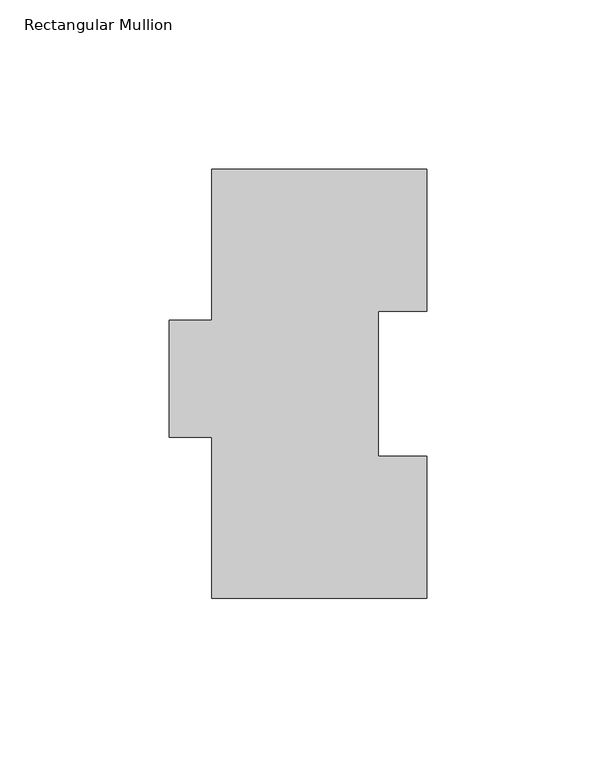
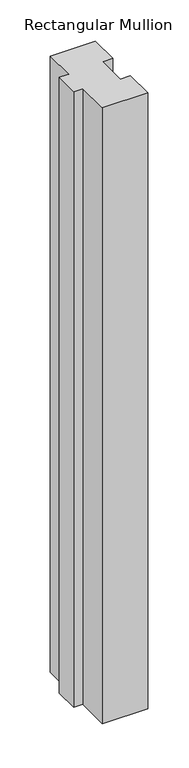
"""IFC4 building model written with IfcOpenShell, lengths in millimetres: member geometry, Rectangular Mullion."""

from ifc_helpers import new_model, si_unit, frame, origin, place, context, project, spatial, polyline, outline, extrude, source, transform, mapped, element, save


def rectangular_mullion_21588ddd(model_context):
    return source(origin(), model_context, "Body", "SweptSolid", [
        extrude(outline(polyline([(-31.75, 127.00635), (31.7502713, 127.00635), (31.7502713, 84.93125), (17.4622287, 84.93125), (17.4622287, 42.08145), (31.7497287, 42.08145), (31.7497287, 0.00635), (-31.75, 0.00635), (-31.75, 47.63135), (-44.4497287, 47.63135), (-44.4497287, 82.30235), (-31.75, 82.30235), (-31.75, 127.00635)])), frame((0.0, 0.0, -914.4), z_axis=(0.0, 0.0, 1.0), x_axis=(1.0, 0.0, 0.0)), (0.0, 0.0, 1.0), 914.4),
    ])


if __name__ == "__main__":
    model = new_model("IFC4")
    model_context = context("Model", 3, world=origin())
    ifc_project = project(units=[si_unit("LENGTHUNIT", "METRE", prefix="MILLI")], contexts=[model_context])
    site = spatial("IfcSite", under=ifc_project)
    building = spatial("IfcBuilding", under=site)
    placement = place(None, origin())
    rectangular_mullion_shape = rectangular_mullion_21588ddd(model_context)
    element("IfcMember", 1, ObjectType="Rectangular Mullion", at=placement, inside=building, context=model_context, shape_type="MappedRepresentation", body=[
        mapped(rectangular_mullion_shape, transform((0.0, 0.0, 0.0), x_axis=(1.0, 0.0, 0.0), y_axis=(0.0, 1.0, 0.0), z_axis=(0.0, 0.0, 1.0))),
    ])
    save(model, "model.ifc")
